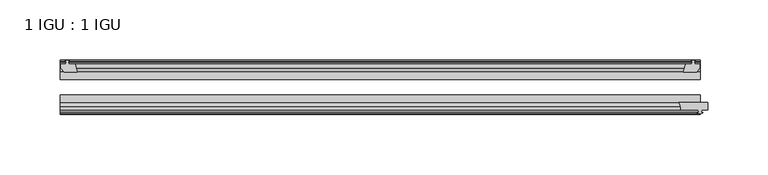
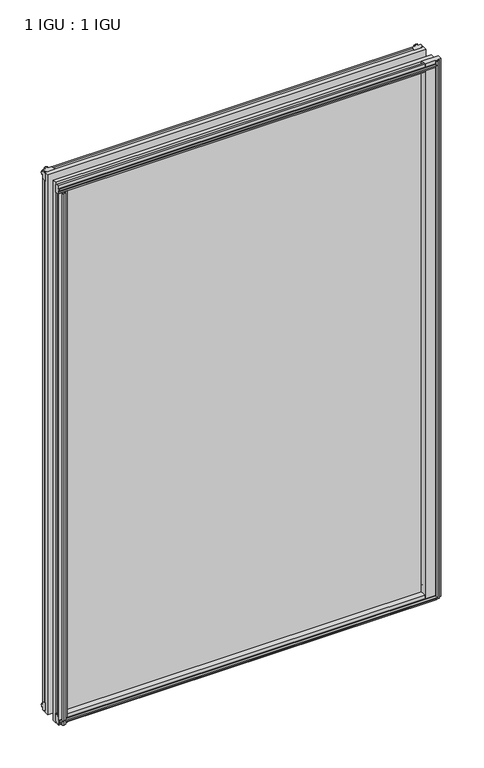
"""IFC4 building model written with IfcOpenShell, lengths in millimetres: plate geometry, 1 IGU : 1 IGU."""

from ifc_helpers import new_model, si_unit, point, frame, frame_2d, origin, place, context, project, spatial, polyline, circle_curve, trimmed, segment, composite_curve, outline, extrude, source, transform, mapped, element, save


def plate_1_igu_1_igu_90a3e002(model_context):
    return source(origin(), model_context, "Body", "SweptSolid", [
        extrude(outline(polyline([(258.8916084, -10.4746158), (261.0691375, -9.7670938), (263.2466666, -10.4746158), (263.2466666, -11.27583), (261.8311375, -10.8158968), (262.2121375, -13.1960938), (266.6571375, -13.1960938), (266.6571375, -16.1424938), (263.8227953, -19.5460938), (253.0014194, -19.5460938), (254.7191375, -13.1960938), (259.9261375, -13.1960938), (260.3071375, -10.8158968), (258.8916084, -11.27583), (258.8916084, -10.4746158)])), frame((0.0, 0.0, -12.4587), z_axis=(0.0, 0.0, 1.0), x_axis=(1.0, 0.0, 0.0)), (0.0, 0.0, 1.0), 799.6174),
        extrude(outline(polyline([(-257.6957, -9.7670937), (-255.5181709, -10.4746158), (-255.5181709, -11.27583), (-256.9337, -10.8158968), (-256.5527, -13.1960937), (-251.3457, -13.1960937), (-249.6279819, -19.5460937), (-260.4493578, -19.5460937), (-263.2837, -16.1424937), (-263.2837, -13.1960937), (-258.8387, -13.1960937), (-258.4577, -10.8158968), (-259.8732291, -11.27583), (-259.8732291, -10.4746158), (-257.6957, -9.7670937)])), frame((0.0, 0.0, -12.4587), z_axis=(0.0, 0.0, 1.0), x_axis=(1.0, 0.0, 0.0)), (0.0, 0.0, 1.0), 799.6174),
        extrude(outline(composite_curve([segment(polyline([(248.9617558, -44.9460938), (273.05, -44.9460938), (273.05, -51.2960938), (267.97, -51.2960938), (267.6525, -53.4006957), (268.8711059, -53.0741712), (269.0749, -53.8347412), (266.7, -54.4710938), (264.3251, -53.8347412), (264.5288941, -53.0741712), (265.7475, -53.4006957), (265.43, -51.2960938), (250.825, -51.2960938)]), True, "CONTINUOUS"), segment(trimmed(circle_curve(frame_2d((242.0493721, -50.4227155)), 8.8189814), [point((250.825, -51.2960938))], [point((248.9617558, -44.9460938))], True, "CARTESIAN"), True, "CONTINUOUS")], self_intersect=False)), frame((0.0, 0.0, -9.0482291), z_axis=(0.0, 0.0, 1.0), x_axis=(1.0, 0.0, 0.0)), (0.0, 0.0, 1.0), 796.2069291),
        extrude(outline(polyline([(-249.1072819, -44.9460937), (-250.825, -51.2960937), (-256.032, -51.2960937), (-256.413, -53.6762907), (-254.9974709, -53.2163575), (-254.9974709, -54.0175717), (-257.175, -54.7250937), (-259.3525291, -54.0175717), (-259.3525291, -53.2163575), (-257.937, -53.6762907), (-258.318, -51.2960937), (-262.763, -51.2960937), (-262.763, -48.3496937), (-259.9286578, -44.9460937), (-249.1072819, -44.9460937)])), frame((0.0, 0.0, -12.4587), z_axis=(0.0, 0.0, 1.0), x_axis=(1.0, 0.0, 0.0)), (0.0, 0.0, 1.0), 786.9174),
        extrude(outline(polyline([(-10.4746158, -4.6931709), (-9.7670937, -6.8707), (-10.4746158, -9.0482291), (-11.27583, -9.0482291), (-10.8158968, -7.6327), (-13.1960937, -8.0137), (-13.1960937, -12.4587), (-16.1424937, -12.4587), (-19.5460937, -9.6243578), (-19.5460937, 1.1970181), (-13.1960937, -0.5207), (-13.1960937, -5.7277), (-10.8158968, -6.1087), (-11.27583, -4.6931709), (-10.4746158, -4.6931709)])), frame((-263.525, 0.0, 0.0), z_axis=(1.0, 0.0, 0.0), x_axis=(0.0, 1.0, 0.0)), (0.0, 0.0, 1.0), 530.225),
        extrude(outline(polyline([(-44.9460937, 1.7177181), (-44.9460937, -9.1036578), (-48.3496937, -11.938), (-51.2960937, -11.938), (-51.2960937, -7.493), (-53.6762907, -7.112), (-53.2163575, -8.5275291), (-54.0175717, -8.5275291), (-54.7250937, -6.35), (-54.0175717, -4.1724709), (-53.2163575, -4.1724709), (-53.6762907, -5.588), (-51.2960937, -5.207), (-51.2960937, 0.0), (-44.9460937, 1.7177181)])), frame((-263.525, 0.0, 0.0), z_axis=(1.0, 0.0, 0.0), x_axis=(0.0, 1.0, 0.0)), (0.0, 0.0, 1.0), 530.225),
        extrude(outline(polyline([(-10.8158968, 782.3327), (-11.27583, 783.7482291), (-10.4746158, 783.7482291), (-9.7670937, 781.5707), (-10.4746158, 779.3931709), (-11.27583, 779.3931709), (-10.8158968, 780.8087), (-13.1960937, 780.4277), (-13.1960937, 775.2207), (-19.5460938, 773.5029819), (-19.5460938, 784.3243578), (-16.1424937, 787.1587), (-13.1960937, 787.1587), (-13.1960937, 782.7137), (-10.8158968, 782.3327)])), frame((-263.525, 0.0, 0.0), z_axis=(1.0, 0.0, 0.0), x_axis=(0.0, 1.0, 0.0)), (0.0, 0.0, 1.0), 530.225),
        extrude(outline(polyline([(-51.2960937, 786.638), (-48.3496937, 786.638), (-44.9460938, 783.8036578), (-44.9460938, 772.9822819), (-51.2960937, 774.7), (-51.2960937, 779.907), (-53.6762907, 780.288), (-53.2163575, 778.8724709), (-54.0175717, 778.8724709), (-54.7250937, 781.05), (-54.0175717, 783.2275291), (-53.2163575, 783.2275291), (-53.6762907, 781.812), (-51.2960937, 782.193), (-51.2960937, 786.638)])), frame((-263.525, 0.0, 0.0), z_axis=(1.0, 0.0, 0.0), x_axis=(0.0, 1.0, 0.0)), (0.0, 0.0, 1.0), 530.225),
        extrude(outline(polyline([(-263.525, -38.9186738), (266.7, -38.9186738), (266.7, -44.9460937), (-263.525, -44.9460937), (-263.525, -38.9186738)])), frame((0.0, 0.0, -12.7), z_axis=(0.0, 0.0, 1.0), x_axis=(1.0, 0.0, 0.0)), (0.0, 0.0, 1.0), 800.1),
        extrude(outline(polyline([(-263.525, -19.5460937), (266.7, -19.5460937), (266.7, -25.8960938), (-263.525, -25.8960938), (-263.525, -19.5460937)])), frame((0.0, 0.0, -12.7), z_axis=(0.0, 0.0, 1.0), x_axis=(1.0, 0.0, 0.0)), (0.0, 0.0, 1.0), 800.1),
    ])


if __name__ == "__main__":
    model = new_model("IFC4")
    model_context = context("Model", 3, world=origin())
    ifc_project = project(units=[si_unit("LENGTHUNIT", "METRE", prefix="MILLI")], contexts=[model_context])
    site = spatial("IfcSite", under=ifc_project)
    building = spatial("IfcBuilding", under=site)
    placement = place(None, origin())
    plate_1_igu_1_igu_shape = plate_1_igu_1_igu_90a3e002(model_context)
    element("IfcPlate", 1, ObjectType="1 IGU : 1 IGU", at=placement, inside=building, context=model_context, shape_type="MappedRepresentation", body=[
        mapped(plate_1_igu_1_igu_shape, transform((0.0, 0.0, 0.0), x_axis=(1.0, 0.0, 0.0), y_axis=(0.0, 1.0, 0.0), z_axis=(0.0, 0.0, 1.0))),
    ])
    save(model, "model.ifc")
